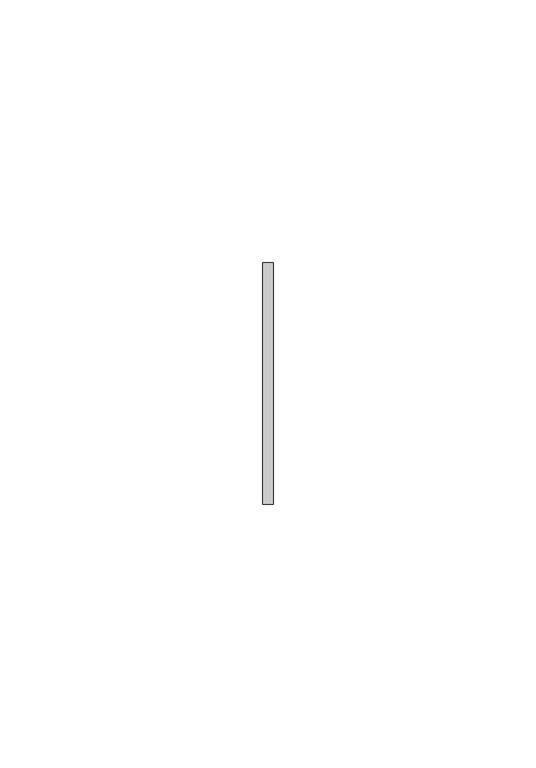
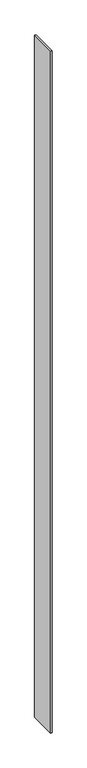
"""IFC4 building model written with IfcOpenShell, lengths in millimetres: member geometry."""

from ifc_helpers import new_model, si_unit, frame, origin, place, context, project, spatial, polyline, outline, extrude, source, transform, mapped, element, save


def member_072ddeb2(model_context):
    return source(origin(), model_context, "Body", "SweptSolid", [
        extrude(outline(polyline([(1.0, 23.0), (1.0, -23.0), (-1.0, -23.0), (-1.0, 23.0), (1.0, 23.0)])), frame((0.0, 0.0, -1198.0000003), z_axis=(0.0, 0.0, 1.0), x_axis=(1.0, 0.0, 0.0)), (0.0, 0.0, 1.0), 1198.0000003),
    ])


if __name__ == "__main__":
    model = new_model("IFC4")
    model_context = context("Model", 3, world=origin())
    ifc_project = project(units=[si_unit("LENGTHUNIT", "METRE", prefix="MILLI")], contexts=[model_context])
    site = spatial("IfcSite", under=ifc_project)
    building = spatial("IfcBuilding", under=site)
    placement = place(None, origin())
    member_shape = member_072ddeb2(model_context)
    element("IfcMember", 1, at=placement, inside=building, context=model_context, shape_type="MappedRepresentation", body=[
        mapped(member_shape, transform((0.0, 0.0, 0.0), x_axis=(1.0, 0.0, 0.0), y_axis=(0.0, 1.0, 0.0), z_axis=(0.0, 0.0, 1.0))),
    ])
    save(model, "model.ifc")
